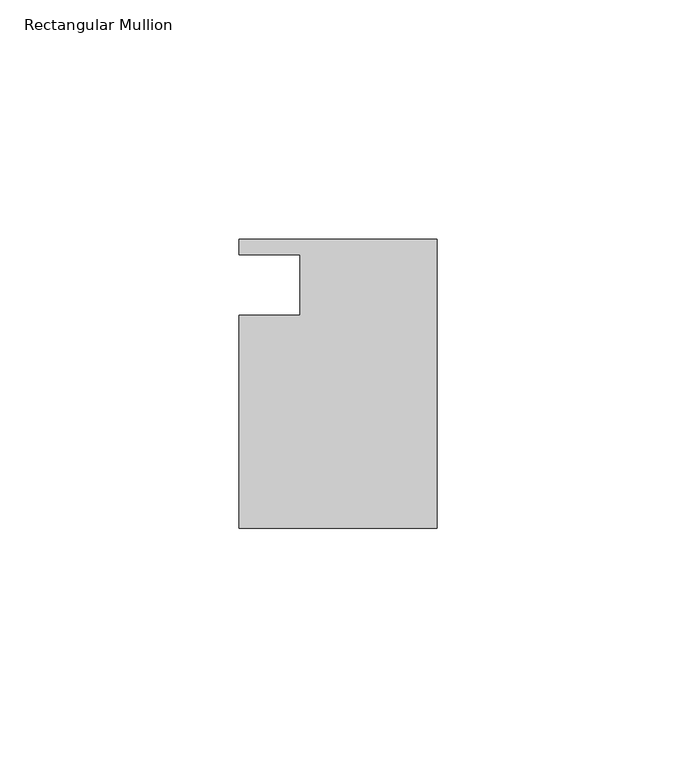
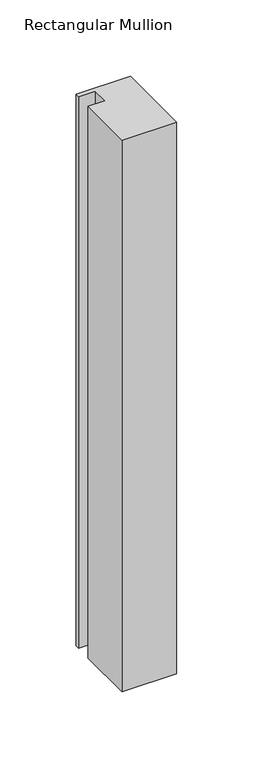
"""IFC4 building model written with IfcOpenShell, lengths in millimetres: member geometry, Rectangular Mullion."""

from ifc_helpers import new_model, si_unit, frame, origin, place, context, project, spatial, polyline, outline, extrude, source, transform, mapped, element, save


def rectangular_mullion_d5e9d2d8(model_context):
    return source(origin(), model_context, "Body", "SweptSolid", [
        extrude(outline(polyline([(0.0, -30.1625), (-41.275, -30.1625), (-41.275, 14.2875), (-28.575, 14.2875), (-28.575, 26.9875), (-41.275, 26.9875), (-41.275, 30.1625), (0.0, 30.1625), (0.0, -30.1625)])), frame((0.0, 0.0, -441.325), z_axis=(0.0, 0.0, 1.0), x_axis=(1.0, 0.0, 0.0)), (0.0, 0.0, 1.0), 441.325),
    ])


if __name__ == "__main__":
    model = new_model("IFC4")
    model_context = context("Model", 3, world=origin())
    ifc_project = project(units=[si_unit("LENGTHUNIT", "METRE", prefix="MILLI")], contexts=[model_context])
    site = spatial("IfcSite", under=ifc_project)
    building = spatial("IfcBuilding", under=site)
    placement = place(None, origin())
    rectangular_mullion_shape = rectangular_mullion_d5e9d2d8(model_context)
    element("IfcMember", 1, ObjectType="Rectangular Mullion", at=placement, inside=building, context=model_context, shape_type="MappedRepresentation", body=[
        mapped(rectangular_mullion_shape, transform((0.0, 0.0, 0.0), x_axis=(1.0, 0.0, 0.0), y_axis=(0.0, 1.0, 0.0), z_axis=(0.0, 0.0, 1.0))),
    ])
    save(model, "model.ifc")
